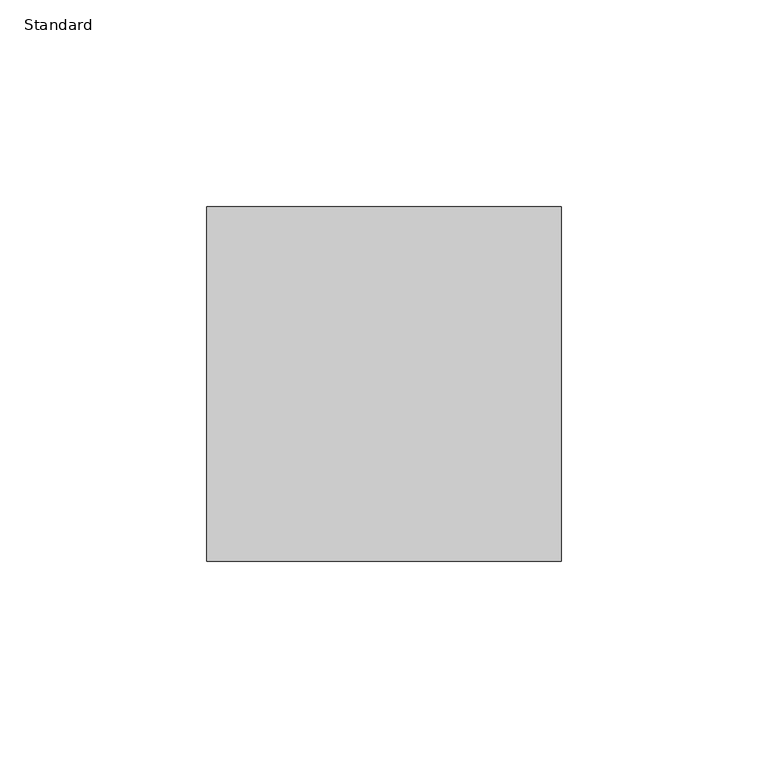
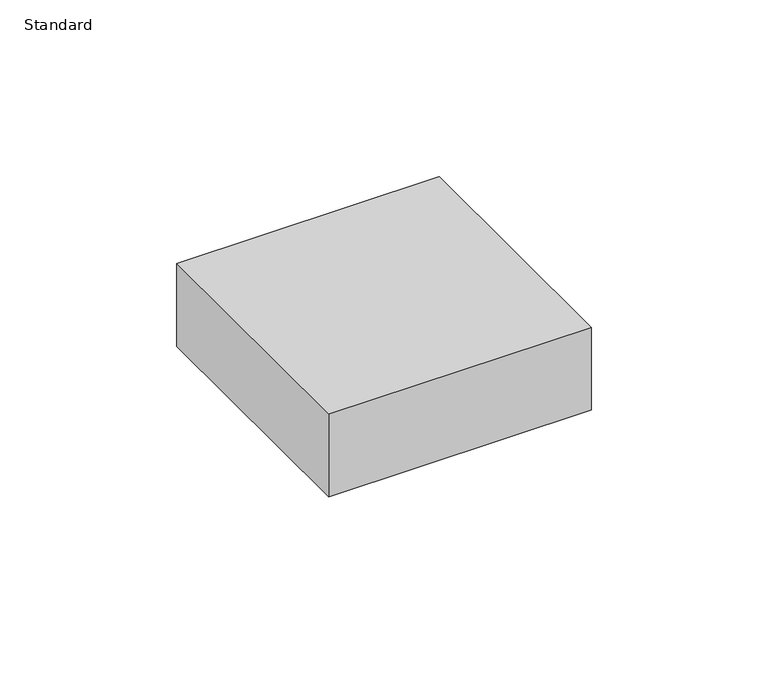
"""IFC4 building model written with IfcOpenShell, lengths in millimetres: proxy geometry, Standard."""

from ifc_helpers import new_model, si_unit, origin, origin_with_axes, place, context, project, spatial, polyline, outline, extrude, source, transform, mapped, element, save


def standard_48fd4350(model_context):
    return source(origin(), model_context, "Body", "SweptSolid", [
        extrude(outline(polyline([(42.8625, 0.0), (42.8625, -85.725), (-42.8625, -85.725), (-42.8625, 0.0), (42.8625, 0.0)])), origin_with_axes(), (0.0, 0.0, 1.0), 28.575),
    ])


if __name__ == "__main__":
    model = new_model("IFC4")
    model_context = context("Model", 3, world=origin())
    ifc_project = project(units=[si_unit("LENGTHUNIT", "METRE", prefix="MILLI")], contexts=[model_context])
    site = spatial("IfcSite", under=ifc_project)
    building = spatial("IfcBuilding", under=site)
    placement = place(None, origin())
    standard_shape = standard_48fd4350(model_context)
    element("IfcBuildingElementProxy", 1, Name="Standard", ObjectType="Standard", at=placement, inside=building, context=model_context, shape_type="MappedRepresentation", body=[
        mapped(standard_shape, transform((0.0, 0.0, 0.0), x_axis=(1.0, 0.0, 0.0), y_axis=(0.0, 1.0, 0.0), z_axis=(0.0, 0.0, 1.0))),
    ])
    save(model, "model.ifc")
